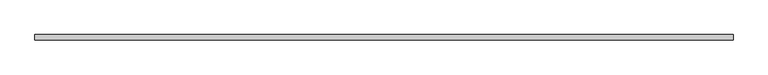
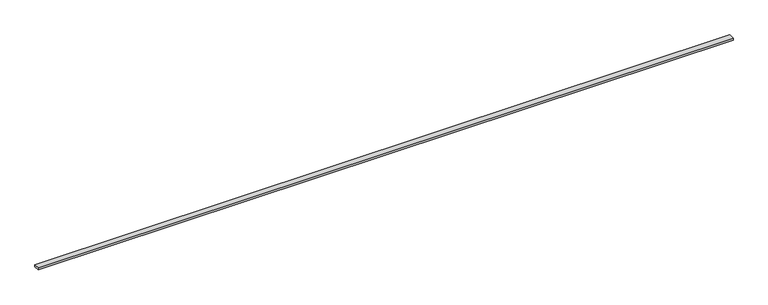
"""IFC4 building model written with IfcOpenShell, lengths in millimetres: beam geometry."""

from ifc_helpers import new_model, si_unit, frame, origin, place, context, project, spatial, polyline, outline, extrude, source, transform, mapped, element, save


def beam_3ed71a90(model_context):
    return source(origin(), model_context, "Body", "SweptSolid", [
        extrude(outline(polyline([(2874.0, -22.5), (-2874.0, -22.5), (-2874.0, 22.5), (2874.0, 22.5), (2874.0, -22.5)])), frame((0.0, 0.0, -9.0), z_axis=(0.0, 0.0, 1.0), x_axis=(1.0, 0.0, 0.0)), (0.0, 0.0, 1.0), 18.0),
    ])


if __name__ == "__main__":
    model = new_model("IFC4")
    model_context = context("Model", 3, world=origin())
    ifc_project = project(units=[si_unit("LENGTHUNIT", "METRE", prefix="MILLI")], contexts=[model_context])
    site = spatial("IfcSite", under=ifc_project)
    building = spatial("IfcBuilding", under=site)
    placement = place(None, origin())
    beam_shape = beam_3ed71a90(model_context)
    element("IfcBeam", 1, at=placement, inside=building, context=model_context, shape_type="MappedRepresentation", body=[
        mapped(beam_shape, transform((0.0, 0.0, 0.0), x_axis=(1.0, 0.0, 0.0), y_axis=(0.0, 1.0, 0.0), z_axis=(0.0, 0.0, 1.0))),
    ])
    save(model, "model.ifc")
